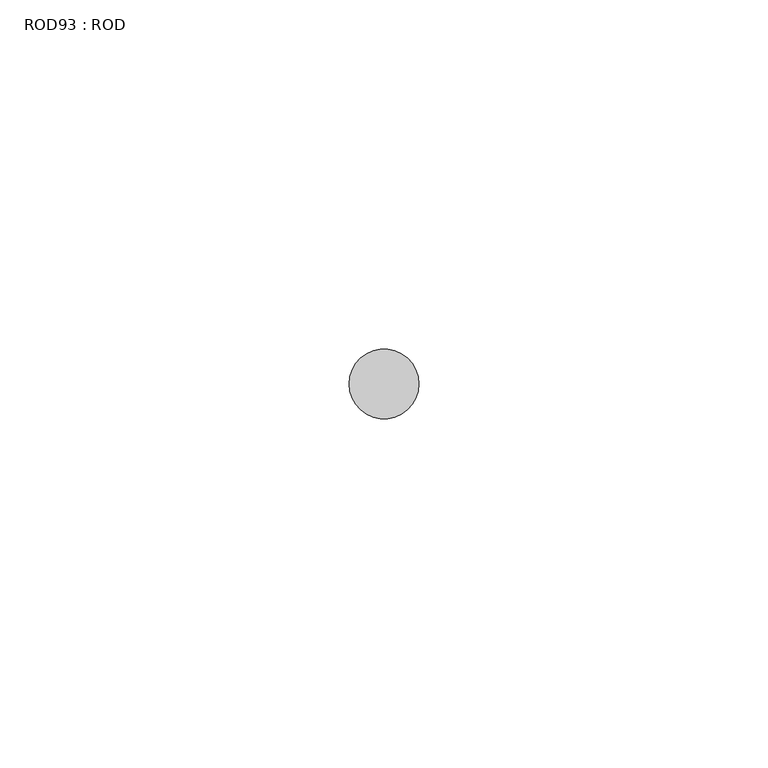
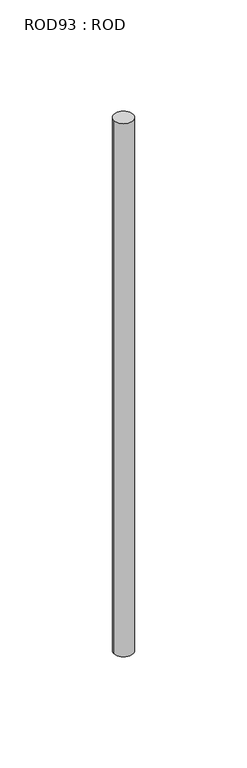
"""IFC4 building model written with IfcOpenShell, lengths in millimetres: proxy geometry, ROD93 : ROD."""

from ifc_helpers import new_model, si_unit, point, frame, frame_2d, origin, place, context, project, spatial, circle_curve, trimmed, segment, composite_curve, outline, extrude, source, transform, mapped, element, save


def rod93_rod_b86dbaf1(model_context):
    return source(origin(), model_context, "Body", "SweptSolid", [
        extrude(outline(composite_curve([segment(trimmed(circle_curve(frame_2d((-4407.2215616, -12414.6300853)), 5.0), [point((-4412.2215616, -12414.6300853))], [point((-4402.2215616, -12414.6300853))], False, "CARTESIAN"), True, "CONTINUOUS"), segment(trimmed(circle_curve(frame_2d((-4407.2215616, -12414.6300853)), 5.0), [point((-4402.2215616, -12414.6300853))], [point((-4412.2215616, -12414.6300853))], False, "CARTESIAN"), True, "CONTINUOUS")], self_intersect=False)), frame((0.0, 0.0, -208.6608845), z_axis=(0.0, 0.0, 1.0), x_axis=(1.0, 0.0, 0.0)), (0.0, 0.0, 1.0), 298.9028972),
    ])


if __name__ == "__main__":
    model = new_model("IFC4")
    model_context = context("Model", 3, world=origin())
    ifc_project = project(units=[si_unit("LENGTHUNIT", "METRE", prefix="MILLI")], contexts=[model_context])
    site = spatial("IfcSite", under=ifc_project)
    building = spatial("IfcBuilding", under=site)
    placement = place(None, origin())
    rod93_rod_shape = rod93_rod_b86dbaf1(model_context)
    element("IfcBuildingElementProxy", 1, Name="ROD93 : ROD", ObjectType="ROD93 : ROD", at=placement, inside=building, context=model_context, shape_type="MappedRepresentation", body=[
        mapped(rod93_rod_shape, transform((0.0, 0.0, 0.0), x_axis=(1.0, 0.0, 0.0), y_axis=(0.0, 1.0, 0.0), z_axis=(0.0, 0.0, 1.0))),
    ])
    save(model, "model.ifc")
